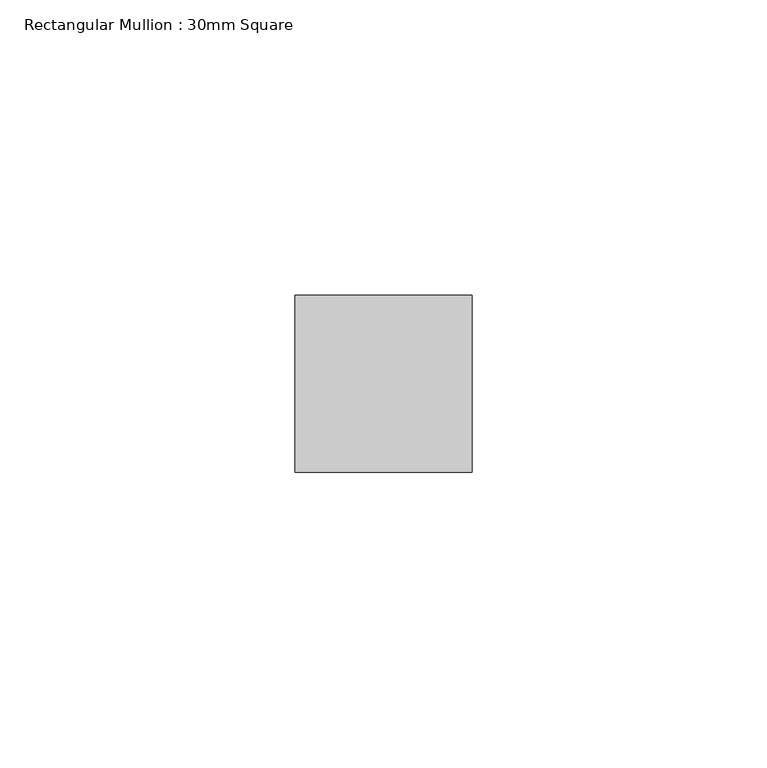
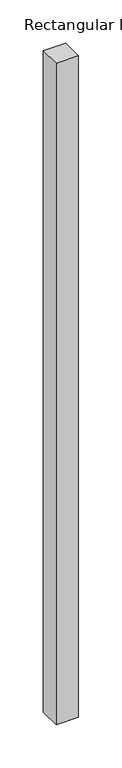
"""IFC4 building model written with IfcOpenShell, lengths in millimetres: member geometry, Rectangular Mullion : 30mm Square."""

from ifc_helpers import new_model, si_unit, frame, origin, place, context, project, spatial, polyline, outline, extrude, source, transform, mapped, element, save


def rectangular_mullion_30mm_square_b17406ae(model_context):
    return source(origin(), model_context, "Body", "SweptSolid", [
        extrude(outline(polyline([(0.0, 15.0), (0.0, -15.0), (-30.0, -15.0), (-30.0, 15.0), (0.0, 15.0)])), frame((0.0, 0.0, -936.6666667), z_axis=(0.0, 0.0, 1.0), x_axis=(1.0, 0.0, 0.0)), (0.0, 0.0, 1.0), 936.6666667),
    ])


if __name__ == "__main__":
    model = new_model("IFC4")
    model_context = context("Model", 3, world=origin())
    ifc_project = project(units=[si_unit("LENGTHUNIT", "METRE", prefix="MILLI")], contexts=[model_context])
    site = spatial("IfcSite", under=ifc_project)
    building = spatial("IfcBuilding", under=site)
    placement = place(None, origin())
    rectangular_mullion_30mm_square_shape = rectangular_mullion_30mm_square_b17406ae(model_context)
    element("IfcMember", 1, ObjectType="Rectangular Mullion : 30mm Square", at=placement, inside=building, context=model_context, shape_type="MappedRepresentation", body=[
        mapped(rectangular_mullion_30mm_square_shape, transform((0.0, 0.0, 0.0), x_axis=(1.0, 0.0, 0.0), y_axis=(0.0, 1.0, 0.0), z_axis=(0.0, 0.0, 1.0))),
    ])
    save(model, "model.ifc")
